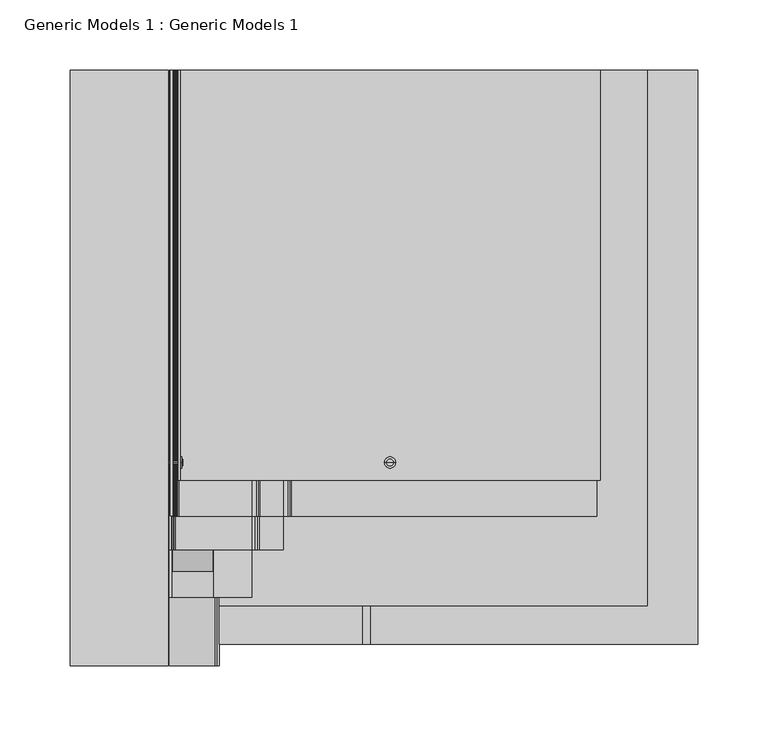
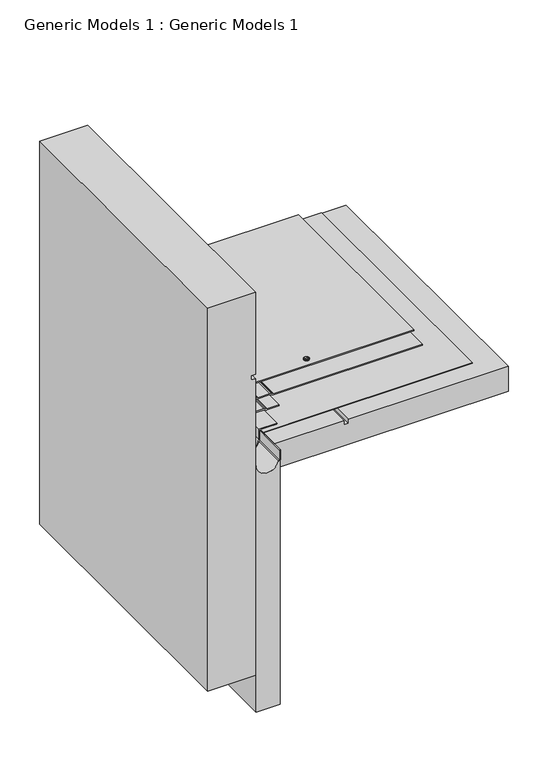
"""IFC4 building model written with IfcOpenShell, lengths in millimetres: proxy geometry, Generic Models 1 : Generic Models 1."""

from ifc_helpers import new_model, si_unit, point, frame, frame_2d, origin, place, context, project, spatial, polyline, circle_curve, trimmed, segment, composite_curve, outline, extrude, source, transform, mapped, element, save
from ifc_brep_helpers import plane_surface, cylinder_surface, advanced_brep


def generic_models_1_generic_models_1_2601c34f(model_context):
    return source(origin(), model_context, "Body", "SolidModel", [
        advanced_brep(
        [(34.1312557, 114.3, 513.2735334), (34.1312557, 114.3, 511.6860334), (53.1812557, 114.3, 511.6860334), (53.1812557, 114.3, 513.2735334), (53.1812557, 114.3, 508.5110334), (53.1812557, 114.3, 516.4485334), (53.9750057, 114.3, 508.5110334), (53.9750057, 114.3, 516.4485334), (53.9750057, 114.3, 510.0718288), (53.9750057, 114.3, 514.887738), (54.7687557, 114.3, 510.0718288), (54.7687557, 114.3, 514.887738), (54.7687557, 114.3, 512.4797834), (34.1312557, 114.3, 512.4797834)],
        [
            (0, 1, circle_curve(frame((34.1312557, 114.3, 512.4797834), z_axis=(1.0, 0.0, 0.0), x_axis=(0.0, 0.0, -1.0)), 0.79375)),
            (1, 2),
            (2, 3, circle_curve(frame((53.1812557, 114.3, 512.4797834), z_axis=(-1.0, 0.0, 0.0), x_axis=(0.0, 0.0, -1.0)), 0.79375)),
            (3, 0),
            (1, 0, circle_curve(frame((34.1312557, 114.3, 512.4797834), z_axis=(1.0, 0.0, 0.0), x_axis=(0.0, 0.0, -1.0)), 0.79375)),
            (3, 2, circle_curve(frame((53.1812557, 114.3, 512.4797834), z_axis=(-1.0, 0.0, 0.0), x_axis=(0.0, 0.0, -1.0)), 0.79375)),
            (2, 4),
            (4, 5, circle_curve(frame((53.1812557, 114.3, 512.4797834), z_axis=(-1.0, 0.0, 0.0), x_axis=(0.0, 0.0, -1.0)), 3.96875)),
            (5, 3),
            (5, 4, circle_curve(frame((53.1812557, 114.3, 512.4797834), z_axis=(-1.0, 0.0, 0.0), x_axis=(0.0, 0.0, -1.0)), 3.96875)),
            (4, 6),
            (6, 7, circle_curve(frame((53.9750057, 114.3, 512.4797834), z_axis=(-1.0, 0.0, 0.0), x_axis=(0.0, 0.0, -1.0)), 3.96875)),
            (7, 5),
            (7, 6, circle_curve(frame((53.9750057, 114.3, 512.4797834), z_axis=(-1.0, 0.0, 0.0), x_axis=(0.0, 0.0, -1.0)), 3.96875)),
            (6, 8),
            (8, 9, circle_curve(frame((53.9750057, 114.3, 512.4797834), z_axis=(-1.0, 0.0, 0.0), x_axis=(0.0, 0.0, -1.0)), 2.4079546)),
            (9, 7),
            (9, 8, circle_curve(frame((53.9750057, 114.3, 512.4797834), z_axis=(-1.0, 0.0, 0.0), x_axis=(0.0, 0.0, -1.0)), 2.4079546)),
            (8, 10),
            (10, 11, circle_curve(frame((54.7687557, 114.3, 512.4797834), z_axis=(-1.0, 0.0, 0.0), x_axis=(0.0, 0.0, -1.0)), 2.4079546)),
            (11, 9),
            (11, 10, circle_curve(frame((54.7687557, 114.3, 512.4797834), z_axis=(-1.0, 0.0, 0.0), x_axis=(0.0, 0.0, -1.0)), 2.4079546)),
            (10, 12),
            (12, 11),
            (13, 1),
            (0, 13),
        ],
        [
            cylinder_surface(frame((50.6619221, 114.3, 512.4797834), z_axis=(-1.0, 0.0, 0.0), x_axis=(0.0, 0.0, -1.0)), 0.79375),
            plane_surface(frame((53.1812557, 114.3, 512.4797834), z_axis=(-1.0, 0.0, 0.0), x_axis=(0.0, 0.0, -1.0))),
            cylinder_surface(frame((50.6619221, 114.3, 512.4797834), z_axis=(-1.0, 0.0, 0.0), x_axis=(0.0, 0.0, -1.0)), 3.96875),
            plane_surface(frame((53.9750057, 114.3, 512.4797834), z_axis=(1.0, 0.0, 0.0), x_axis=(0.0, 0.0, -1.0))),
            cylinder_surface(frame((50.6619221, 114.3, 512.4797834), z_axis=(-1.0, 0.0, 0.0), x_axis=(0.0, 0.0, -1.0)), 2.4079546),
            plane_surface(frame((54.7687557, 114.3, 512.4797834), z_axis=(1.0, 0.0, 0.0), x_axis=(0.0, 0.0, -1.0))),
            plane_surface(frame((34.1312557, 114.3, 512.4797834), z_axis=(-1.0, 0.0, 0.0), x_axis=(0.0, 0.0, -1.0))),
        ],
        [
            (0, [[1, 2, 3, 4]]),
            (0, [[5, -4, 6, -2]]),
            (1, [[-3, 7, 8, 9]]),
            (1, [[-6, -9, 10, -7]]),
            (2, [[-8, 11, 12, 13]]),
            (2, [[-10, -13, 14, -11]]),
            (3, [[-12, 15, 16, 17]]),
            (3, [[-14, -17, 18, -15]]),
            (4, [[-16, 19, 20, 21]]),
            (4, [[-18, -21, 22, -19]]),
            (5, [[-20, 23, 24]]),
            (5, [[-22, -24, -23]]),
            (6, [[25, -1, 26]]),
            (6, [[-26, -5, -25]]),
        ],
    ),
        advanced_brep(
        [(203.3036552, 114.3, 375.8511339), (201.7161552, 114.3, 375.8511339), (201.7161552, 114.3, 356.8011339), (203.3036552, 114.3, 356.8011339), (206.4786552, 114.3, 375.8511339), (198.5411552, 114.3, 375.8511339), (206.4786552, 114.3, 376.6448839), (198.5411552, 114.3, 376.6448839), (204.9178598, 114.3, 376.6448839), (200.1019506, 114.3, 376.6448839), (204.9178598, 114.3, 377.4386339), (200.1019506, 114.3, 377.4386339), (202.5099052, 114.3, 377.4386339), (202.5099052, 114.3, 356.8011339)],
        [
            (0, 1, circle_curve(frame((202.5099052, 114.3, 375.8511339), z_axis=(0.0, 0.0, -1.0), x_axis=(-1.0, 0.0, 0.0)), 0.79375)),
            (1, 2),
            (2, 3, circle_curve(frame((202.5099052, 114.3, 356.8011339), z_axis=(0.0, 0.0, 1.0), x_axis=(-1.0, 0.0, 0.0)), 0.79375)),
            (3, 0),
            (1, 0, circle_curve(frame((202.5099052, 114.3, 375.8511339), z_axis=(0.0, 0.0, -1.0), x_axis=(-1.0, 0.0, 0.0)), 0.79375)),
            (3, 2, circle_curve(frame((202.5099052, 114.3, 356.8011339), z_axis=(0.0, 0.0, 1.0), x_axis=(-1.0, 0.0, 0.0)), 0.79375)),
            (4, 5, circle_curve(frame((202.5099052, 114.3, 375.8511339), z_axis=(0.0, 0.0, -1.0), x_axis=(-1.0, 0.0, 0.0)), 3.96875)),
            (5, 1),
            (0, 4),
            (5, 4, circle_curve(frame((202.5099052, 114.3, 375.8511339), z_axis=(0.0, 0.0, -1.0), x_axis=(-1.0, 0.0, 0.0)), 3.96875)),
            (6, 7, circle_curve(frame((202.5099052, 114.3, 376.6448839), z_axis=(0.0, 0.0, -1.0), x_axis=(-1.0, 0.0, 0.0)), 3.96875)),
            (7, 5),
            (4, 6),
            (7, 6, circle_curve(frame((202.5099052, 114.3, 376.6448839), z_axis=(0.0, 0.0, -1.0), x_axis=(-1.0, 0.0, 0.0)), 3.96875)),
            (8, 9, circle_curve(frame((202.5099052, 114.3, 376.6448839), z_axis=(0.0, 0.0, -1.0), x_axis=(-1.0, 0.0, 0.0)), 2.4079546)),
            (9, 7),
            (6, 8),
            (9, 8, circle_curve(frame((202.5099052, 114.3, 376.6448839), z_axis=(0.0, 0.0, -1.0), x_axis=(-1.0, 0.0, 0.0)), 2.4079546)),
            (10, 11, circle_curve(frame((202.5099052, 114.3, 377.4386339), z_axis=(0.0, 0.0, -1.0), x_axis=(-1.0, 0.0, 0.0)), 2.4079546)),
            (11, 9),
            (8, 10),
            (11, 10, circle_curve(frame((202.5099052, 114.3, 377.4386339), z_axis=(0.0, 0.0, -1.0), x_axis=(-1.0, 0.0, 0.0)), 2.4079546)),
            (12, 11),
            (10, 12),
            (2, 13),
            (13, 3),
        ],
        [
            cylinder_surface(frame((202.5099052, 114.3, 373.3318003), z_axis=(0.0, 0.0, 1.0), x_axis=(-1.0, 0.0, 0.0)), 0.79375),
            plane_surface(frame((202.5099052, 114.3, 375.8511339), z_axis=(0.0, 0.0, -1.0), x_axis=(-1.0, 0.0, 0.0))),
            cylinder_surface(frame((202.5099052, 114.3, 373.3318003), z_axis=(0.0, 0.0, 1.0), x_axis=(-1.0, 0.0, 0.0)), 3.96875),
            plane_surface(frame((202.5099052, 114.3, 376.6448839), z_axis=(0.0, 0.0, 1.0), x_axis=(-1.0, 0.0, 0.0))),
            cylinder_surface(frame((202.5099052, 114.3, 373.3318003), z_axis=(0.0, 0.0, 1.0), x_axis=(-1.0, 0.0, 0.0)), 2.4079546),
            plane_surface(frame((202.5099052, 114.3, 377.4386339), z_axis=(0.0, 0.0, 1.0), x_axis=(-1.0, 0.0, 0.0))),
            plane_surface(frame((202.5099052, 114.3, 356.8011339), z_axis=(0.0, 0.0, -1.0), x_axis=(-1.0, 0.0, 0.0))),
        ],
        [
            (0, [[1, 2, 3, 4]]),
            (0, [[5, -4, 6, -2]]),
            (1, [[7, 8, -1, 9]]),
            (1, [[10, -9, -5, -8]]),
            (2, [[11, 12, -7, 13]]),
            (2, [[14, -13, -10, -12]]),
            (3, [[15, 16, -11, 17]]),
            (3, [[18, -17, -14, -16]]),
            (4, [[19, 20, -15, 21]]),
            (4, [[22, -21, -18, -20]]),
            (5, [[23, -19, 24]]),
            (5, [[-24, -22, -23]]),
            (6, [[-3, 25, 26]]),
            (6, [[-6, -26, -25]]),
        ],
    ),
        extrude(outline(polyline([(374.2636339, 352.3505058), (375.8511339, 352.3505058), (375.8511339, 53.1812557), (585.6920686, 53.1812557), (585.6920686, 51.5937557), (374.2636339, 51.5937557), (374.2636339, 352.3505058)])), frame((0.0, 101.7730229, 0.0), z_axis=(0.0, 1.0, 0.0), x_axis=(0.0, 0.0, 1.0)), (0.0, 0.0, 1.0), 292.073916),
        extrude(outline(polyline([(328.1998414, 421.8535083), (366.2998414, 421.8535083), (366.2998414, 188.9125), (359.9498414, 188.9125), (359.9498414, 182.5625), (366.2998414, 182.5625), (366.2998414, 80.9625), (328.1998414, 80.9625), (328.1998414, 421.8535083)])), frame((0.0, -15.1880793, 0.0), z_axis=(0.0, 1.0, 0.0), x_axis=(0.0, 0.0, 1.0)), (0.0, 0.0, 1.0), 409.0350182),
        extrude(outline(composite_curve([segment(trimmed(circle_curve(frame_2d((366.3261339, 104.0711194)), 5.55625), [point((371.8823839, 104.0711194))], [point((371.3618066, 106.4192922))], True, "CARTESIAN"), True, "CONTINUOUS"), segment(polyline([(371.3618066, 106.4192922), (370.7148005, 107.8068011)]), True, "CONTINUOUS"), segment(trimmed(circle_curve(frame_2d((375.0310914, 109.8195206)), 4.7625), [point((370.7148005, 107.8068011))], [point((370.2685914, 109.8195206))], False, "CARTESIAN"), True, "CONTINUOUS"), segment(polyline([(370.2685914, 109.8195206), (370.2685914, 126.4920393)]), True, "CONTINUOUS"), segment(trimmed(circle_curve(frame_2d((364.7123414, 126.4920393)), 5.55625), [point((370.2685914, 126.4920393))], [point((369.748014, 128.840212))], True, "CARTESIAN"), True, "CONTINUOUS"), segment(polyline([(369.748014, 128.840212), (369.101008, 130.227721)]), True, "CONTINUOUS"), segment(trimmed(circle_curve(frame_2d((373.4172988, 132.2404405)), 4.7625), [point((369.101008, 130.227721))], [point((368.6547988, 132.2404405))], False, "CARTESIAN"), True, "CONTINUOUS"), segment(polyline([(368.6547988, 132.2404405), (368.6547988, 349.9692558), (370.2422988, 349.9692558), (370.2422988, 132.2404405)]), True, "CONTINUOUS"), segment(trimmed(circle_curve(frame_2d((373.4172988, 132.2404405)), 3.175), [point((370.2422988, 132.2404405))], [point((370.5397716, 130.8986275))], True, "CARTESIAN"), True, "CONTINUOUS"), segment(polyline([(370.5397716, 130.8986275), (371.1867776, 129.5111185)]), True, "CONTINUOUS"), segment(trimmed(circle_curve(frame_2d((364.7123414, 126.4920393)), 7.14375), [point((371.1867776, 129.5111185))], [point((371.8560914, 126.4920393))], False, "CARTESIAN"), True, "CONTINUOUS"), segment(polyline([(371.8560914, 126.4920393), (371.8560914, 109.8195206)]), True, "CONTINUOUS"), segment(trimmed(circle_curve(frame_2d((375.0310914, 109.8195206)), 3.175), [point((371.8560914, 109.8195206))], [point((372.1535641, 108.4777076))], True, "CARTESIAN"), True, "CONTINUOUS"), segment(polyline([(372.1535641, 108.4777076), (372.8005702, 107.0901987)]), True, "CONTINUOUS"), segment(trimmed(circle_curve(frame_2d((366.3261339, 104.0711194)), 7.14375), [point((372.8005702, 107.0901987))], [point((373.4698839, 104.0711194))], False, "CARTESIAN"), True, "CONTINUOUS"), segment(polyline([(373.4698839, 104.0711194), (373.4698839, 52.3875057)]), True, "CONTINUOUS"), segment(trimmed(circle_curve(frame_2d((375.0573839, 52.3875057)), 1.5875), [point((373.4698839, 52.3875057))], [point((375.0573839, 50.8000057))], True, "CARTESIAN"), True, "CONTINUOUS"), segment(polyline([(375.0573839, 50.8000057), (396.7434379, 50.8000057)]), True, "CONTINUOUS"), segment(trimmed(circle_curve(frame_2d((396.7434379, 43.6562557)), 7.14375), [point((396.7434379, 50.8000057))], [point((399.7625171, 50.130692))], False, "CARTESIAN"), True, "CONTINUOUS"), segment(polyline([(399.7625171, 50.130692), (401.150026, 49.4836859)]), True, "CONTINUOUS"), segment(trimmed(circle_curve(frame_2d((402.491839, 52.3612132)), 3.175), [point((401.150026, 49.4836859))], [point((402.491839, 49.1862132))], True, "CARTESIAN"), True, "CONTINUOUS"), segment(polyline([(402.491839, 49.1862132), (419.1643577, 49.1862132)]), True, "CONTINUOUS"), segment(trimmed(circle_curve(frame_2d((419.1643577, 42.0424632)), 7.14375), [point((419.1643577, 49.1862132))], [point((422.183437, 48.5168994))], False, "CARTESIAN"), True, "CONTINUOUS"), segment(polyline([(422.183437, 48.5168994), (423.5709459, 47.8698934)]), True, "CONTINUOUS"), segment(trimmed(circle_curve(frame_2d((424.9127589, 50.7474206)), 3.175), [point((423.5709459, 47.8698934))], [point((424.9127589, 47.5724206))], True, "CARTESIAN"), True, "CONTINUOUS"), segment(polyline([(424.9127589, 47.5724206), (583.3108186, 47.5724206), (583.3108186, 45.9849206), (424.9127589, 45.9849206)]), True, "CONTINUOUS"), segment(trimmed(circle_curve(frame_2d((424.9127589, 50.7474206)), 4.7625), [point((424.9127589, 45.9849206))], [point((422.9000394, 46.4311298))], False, "CARTESIAN"), True, "CONTINUOUS"), segment(polyline([(422.9000394, 46.4311298), (421.5125305, 47.0781358)]), True, "CONTINUOUS"), segment(trimmed(circle_curve(frame_2d((419.1643577, 42.0424632)), 5.55625), [point((421.5125305, 47.0781358))], [point((419.1643577, 47.5987132))], True, "CARTESIAN"), True, "CONTINUOUS"), segment(polyline([(419.1643577, 47.5987132), (402.491839, 47.5987132)]), True, "CONTINUOUS"), segment(trimmed(circle_curve(frame_2d((402.491839, 52.3612132)), 4.7625), [point((402.491839, 47.5987132))], [point((400.4791195, 48.0449223))], False, "CARTESIAN"), True, "CONTINUOUS"), segment(polyline([(400.4791195, 48.0449223), (399.0916106, 48.6919284)]), True, "CONTINUOUS"), segment(trimmed(circle_curve(frame_2d((396.7434379, 43.6562557)), 5.55625), [point((399.0916106, 48.6919284))], [point((396.7434379, 49.2125057))], True, "CARTESIAN"), True, "CONTINUOUS"), segment(polyline([(396.7434379, 49.2125057), (375.0573839, 49.2125057)]), True, "CONTINUOUS"), segment(trimmed(circle_curve(frame_2d((375.0573839, 52.3875057)), 3.175), [point((375.0573839, 49.2125057))], [point((371.8823839, 52.3875057))], False, "CARTESIAN"), True, "CONTINUOUS"), segment(polyline([(371.8823839, 52.3875057), (371.8823839, 104.0711194)]), True, "CONTINUOUS")], self_intersect=False)), frame((0.0, 76.1832897, 0.0), z_axis=(0.0, 1.0, 0.0), x_axis=(0.0, 0.0, 1.0)), (0.0, 0.0, 1.0), 317.6636492),
        extrude(outline(composite_curve([segment(polyline([(371.0886339, 104.0711194), (371.0886339, 50.0062557)]), True, "CONTINUOUS"), segment(trimmed(circle_curve(frame_2d((372.6761339, 50.0062557)), 1.5875), [point((371.0886339, 50.0062557))], [point((372.6761339, 48.4187557))], True, "CARTESIAN"), True, "CONTINUOUS"), segment(polyline([(372.6761339, 48.4187557), (396.5785091, 48.4187557)]), True, "CONTINUOUS"), segment(trimmed(circle_curve(frame_2d((396.5785091, 43.6562557)), 4.7625), [point((396.5785091, 48.4187557))], [point((398.5912286, 47.9725466))], False, "CARTESIAN"), True, "CONTINUOUS"), segment(polyline([(398.5912286, 47.9725466), (400.4571868, 47.1024359)]), True, "CONTINUOUS"), segment(trimmed(circle_curve(frame_2d((401.7989998, 49.9799632)), 3.175), [point((400.4571868, 47.1024359))], [point((401.7989998, 46.8049632))], True, "CARTESIAN"), True, "CONTINUOUS"), segment(polyline([(401.7989998, 46.8049632), (418.999429, 46.8049632), (418.999429, 45.2174632), (401.7989998, 45.2174632)]), True, "CONTINUOUS"), segment(trimmed(circle_curve(frame_2d((401.7989998, 49.9799632)), 4.7625), [point((401.7989998, 45.2174632))], [point((399.7862803, 45.6636723))], False, "CARTESIAN"), True, "CONTINUOUS"), segment(polyline([(399.7862803, 45.6636723), (397.9203221, 46.533783)]), True, "CONTINUOUS"), segment(trimmed(circle_curve(frame_2d((396.5785091, 43.6562557)), 3.175), [point((397.9203221, 46.533783))], [point((396.5785091, 46.8312557))], True, "CARTESIAN"), True, "CONTINUOUS"), segment(polyline([(396.5785091, 46.8312557), (372.6761339, 46.8312557)]), True, "CONTINUOUS"), segment(trimmed(circle_curve(frame_2d((372.6761339, 50.0062557)), 3.175), [point((372.6761339, 46.8312557))], [point((369.5011339, 50.0062557))], False, "CARTESIAN"), True, "CONTINUOUS"), segment(polyline([(369.5011339, 50.0062557), (369.5011339, 104.0711194)]), True, "CONTINUOUS"), segment(trimmed(circle_curve(frame_2d((366.3261339, 104.0711194)), 3.175), [point((369.5011339, 104.0711194))], [point((369.2036612, 105.4129324))], True, "CARTESIAN"), True, "CONTINUOUS"), segment(polyline([(369.2036612, 105.4129324), (368.3335505, 107.2788907)]), True, "CONTINUOUS"), segment(trimmed(circle_curve(frame_2d((372.6498414, 109.2916102)), 4.7625), [point((368.3335505, 107.2788907))], [point((367.8873414, 109.2916102))], False, "CARTESIAN"), True, "CONTINUOUS"), segment(polyline([(367.8873414, 109.2916102), (367.8873414, 126.4920393), (369.4748414, 126.4920393), (369.4748414, 109.2916102)]), True, "CONTINUOUS"), segment(trimmed(circle_curve(frame_2d((372.6498414, 109.2916102)), 3.175), [point((369.4748414, 109.2916102))], [point((369.7723141, 107.9497972))], True, "CARTESIAN"), True, "CONTINUOUS"), segment(polyline([(369.7723141, 107.9497972), (370.6424248, 106.0838389)]), True, "CONTINUOUS"), segment(trimmed(circle_curve(frame_2d((366.3261339, 104.0711194)), 4.7625), [point((370.6424248, 106.0838389))], [point((371.0886339, 104.0711194))], False, "CARTESIAN"), True, "CONTINUOUS")], self_intersect=False)), frame((0.0, 52.0273992, 0.0), z_axis=(0.0, 1.0, 0.0), x_axis=(0.0, 0.0, 1.0)), (0.0, 0.0, 1.0), 341.8195397),
        extrude(outline(composite_curve([segment(trimmed(circle_curve(frame_2d((354.3672988, 61.9125)), 14.2875), [point((354.3672988, 47.625))], [point((354.3672988, 76.2))], False, "CARTESIAN"), True, "CONTINUOUS"), segment(trimmed(circle_curve(frame_2d((354.3672988, 61.9125)), 14.2875), [point((354.3672988, 76.2))], [point((354.3672988, 47.625))], False, "CARTESIAN"), True, "CONTINUOUS")], self_intersect=False)), frame((0.0, 36.7666054, 0.0), z_axis=(0.0, 1.0, 0.0), x_axis=(0.0, 0.0, 1.0)), (0.0, 0.0, 1.0), 357.0803336),
        extrude(outline(polyline([(79.375, 393.8469389), (80.9625, 393.8469389), (80.9625, -30.4208852), (79.375, -30.4208852), (79.375, 393.8469389)])), frame((0.0, 0.0, 351.2118848), z_axis=(0.0, 0.0, 1.0), x_axis=(1.0, 0.0, 0.0)), (0.0, 0.0, 1.0), 15.0879565),
        extrude(outline(polyline([(80.9625, 393.8469389), (385.7625, 393.8469389), (385.7625, 12.1737536), (80.9625, 12.1737536), (80.9625, 393.8469389)])), frame((0.0, 0.0, 367.0935914), z_axis=(0.0, 0.0, 1.0), x_axis=(1.0, 0.0, 0.0)), (0.0, 0.0, 1.0), 0.79375),
        extrude(outline(composite_curve([segment(polyline([(354.3672988, 45.24375), (-25.7392111, 45.24375), (-25.7392111, 80.16875), (350.4181348, 80.16875), (350.4181348, 78.1066758)]), True, "CONTINUOUS"), segment(trimmed(circle_curve(frame_2d((354.3672988, 61.9125)), 16.66875), [point((350.4181348, 78.1066758))], [point((354.3672988, 45.24375))], True, "CARTESIAN"), True, "CONTINUOUS")], self_intersect=False)), frame((0.0, -30.4208852, 0.0), z_axis=(0.0, 1.0, 0.0), x_axis=(0.0, 0.0, 1.0)), (0.0, 0.0, 1.0), 424.2678241),
        extrude(outline(composite_curve([segment(polyline([(367.8873414, 103.98125), (369.4748414, 103.98125), (369.4748414, 76.99375), (354.3672988, 76.99375)]), True, "CONTINUOUS"), segment(trimmed(circle_curve(frame_2d((354.3672988, 61.9125)), 15.08125), [point((354.3672988, 76.99375))], [point((354.3672988, 46.83125))], True, "CARTESIAN"), True, "CONTINUOUS"), segment(polyline([(354.3672988, 46.83125), (395.6144945, 46.83125), (395.6144945, 45.24375), (354.3672988, 45.24375)]), True, "CONTINUOUS"), segment(trimmed(circle_curve(frame_2d((354.3672988, 61.9125)), 16.66875), [point((354.3672988, 45.24375))], [point((352.7666525, 78.5042196))], False, "CARTESIAN"), True, "CONTINUOUS"), segment(polyline([(352.7666525, 78.5042196), (367.8873414, 78.5042196), (367.8873414, 103.98125)]), True, "CONTINUOUS")], self_intersect=False)), frame((0.0, 18.3920053, 0.0), z_axis=(0.0, 1.0, 0.0), x_axis=(0.0, 0.0, 1.0)), (0.0, 0.0, 1.0), 375.4549336),
        extrude(outline(polyline([(495.199429, 44.45), (621.7129392, 44.45), (621.7129392, -25.4), (31.75, -25.4), (31.75, 44.45), (488.849429, 44.45), (488.849429, 38.1), (495.199429, 38.1), (495.199429, 44.45)])), frame((0.0, -30.4208852, 0.0), z_axis=(0.0, 1.0, 0.0), x_axis=(0.0, 0.0, 1.0)), (0.0, 0.0, 1.0), 424.2678241),
    ])


if __name__ == "__main__":
    model = new_model("IFC4")
    model_context = context("Model", 3, world=origin())
    ifc_project = project(units=[si_unit("LENGTHUNIT", "METRE", prefix="MILLI")], contexts=[model_context])
    site = spatial("IfcSite", under=ifc_project)
    building = spatial("IfcBuilding", under=site)
    placement = place(None, origin())
    generic_models_1_generic_models_1_shape = generic_models_1_generic_models_1_2601c34f(model_context)
    element("IfcBuildingElementProxy", 1, Name="Generic Models 1 : Generic Models 1", ObjectType="Generic Models 1 : Generic Models 1", at=placement, inside=building, context=model_context, shape_type="MappedRepresentation", body=[
        mapped(generic_models_1_generic_models_1_shape, transform((0.0, 0.0, 0.0), x_axis=(1.0, 0.0, 0.0), y_axis=(0.0, 1.0, 0.0), z_axis=(0.0, 0.0, 1.0))),
    ])
    save(model, "model.ifc")
